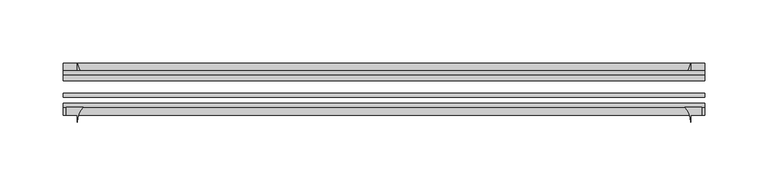
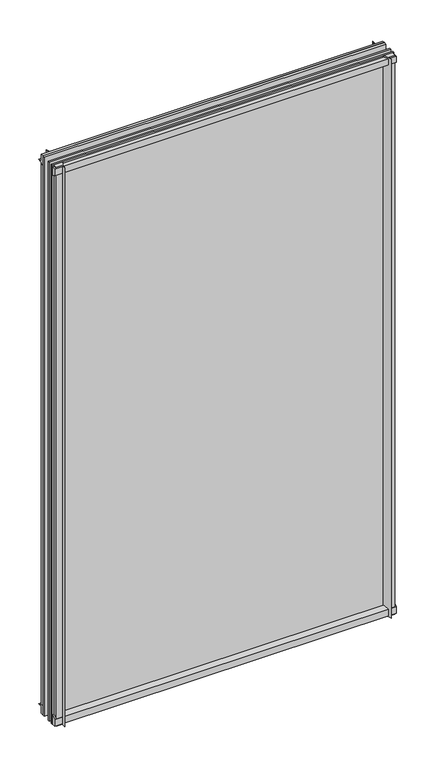
"""IFC4 building model written with IfcOpenShell, lengths in millimetres: plate geometry."""

from ifc_helpers import new_model, si_unit, point, frame, frame_2d, origin, place, context, project, spatial, polyline, circle_curve, trimmed, segment, composite_curve, outline, extrude, source, transform, mapped, element, save


def plate_01372ef2(model_context):
    return source(origin(), model_context, "Body", "SweptSolid", [
        extrude(outline(composite_curve([segment(polyline([(-42.891075, -11.1125), (-42.891075, 3.8539528)]), True, "CONTINUOUS"), segment(trimmed(circle_curve(frame_2d((-26.637892, 29.5913262)), 30.4397495), [point((-42.891075, 3.8539528))], [point((-33.7745413, 0.0))], True, "CARTESIAN"), True, "CONTINUOUS"), segment(polyline([(-33.7745413, 0.0), (-39.690675, 0.0), (-39.690675, -11.1125), (-42.891075, -11.1125)]), True, "CONTINUOUS")], self_intersect=False)), frame((-253.20625, 0.0, 0.0), z_axis=(1.0, 0.0, 0.0), x_axis=(0.0, 1.0, 0.0)), (0.0, 0.0, 1.0), 506.4125),
        extrude(outline(composite_curve([segment(trimmed(circle_curve(frame_2d((-80.4922797, 17.8701603)), 18.6769817), [point((-74.641075, 0.1333891))], [point((-68.291075, 3.72943))], True, "CARTESIAN"), True, "CONTINUOUS"), segment(polyline([(-68.291075, 3.72943), (-68.291075, -10.3251), (-74.641075, -10.3251), (-74.641075, 0.1333891)]), True, "CONTINUOUS")], self_intersect=False)), frame((-253.20625, 0.0, 0.0), z_axis=(1.0, 0.0, 0.0), x_axis=(0.0, 1.0, 0.0)), (0.0, 0.0, 1.0), 506.4125),
        extrude(outline(composite_curve([segment(polyline([(-42.891075, 850.2083472), (-42.891075, 865.1875), (-39.690675, 865.1875), (-39.690675, 854.075), (-33.721675, 854.075)]), True, "CONTINUOUS"), segment(trimmed(circle_curve(frame_2d((-26.637892, 824.4709738)), 30.4397495), [point((-33.721675, 854.075))], [point((-42.891075, 850.2083472))], True, "CARTESIAN"), True, "CONTINUOUS")], self_intersect=False)), frame((-253.20625, 0.0, 0.0), z_axis=(1.0, 0.0, 0.0), x_axis=(0.0, 1.0, 0.0)), (0.0, 0.0, 1.0), 506.4125),
        extrude(outline(composite_curve([segment(polyline([(-68.291075, 862.8126), (-68.291075, 849.53912)]), True, "CONTINUOUS"), segment(trimmed(circle_curve(frame_2d((-80.4922797, 835.3983897)), 18.6769817), [point((-68.291075, 849.53912))], [point((-74.641075, 853.1351609))], True, "CARTESIAN"), True, "CONTINUOUS"), segment(polyline([(-74.641075, 853.1351609), (-74.641075, 862.8126), (-68.291075, 862.8126)]), True, "CONTINUOUS")], self_intersect=False)), frame((-253.20625, 0.0, 0.0), z_axis=(1.0, 0.0, 0.0), x_axis=(0.0, 1.0, 0.0)), (0.0, 0.0, 1.0), 506.4125),
        extrude(outline(composite_curve([segment(polyline([(237.55787, -68.291075), (250.83135, -68.291075), (250.83135, -74.641075), (242.09375, -74.641075), (242.09375, -80.3744844)]), True, "CONTINUOUS"), segment(trimmed(circle_curve(frame_2d((223.4171397, -80.4922797)), 18.6769817), [point((242.09375, -80.3744844))], [point((237.55787, -68.291075))], True, "CARTESIAN"), True, "CONTINUOUS")], self_intersect=False)), frame((0.0, 0.0, -11.1125), z_axis=(0.0, 0.0, 1.0), x_axis=(1.0, 0.0, 0.0)), (0.0, 0.0, 1.0), 876.3),
        extrude(outline(composite_curve([segment(trimmed(circle_curve(frame_2d((212.4897238, -26.637892)), 30.4397495), [point((238.2270972, -42.891075))], [point((242.09375, -33.721675))], True, "CARTESIAN"), True, "CONTINUOUS"), segment(polyline([(242.09375, -33.721675), (242.09375, -39.690675), (253.20625, -39.690675), (253.20625, -42.891075), (238.2270972, -42.891075)]), True, "CONTINUOUS")], self_intersect=False)), frame((0.0, 0.0, -11.1125), z_axis=(0.0, 0.0, 1.0), x_axis=(1.0, 0.0, 0.0)), (0.0, 0.0, 1.0), 876.3),
        extrude(outline(composite_curve([segment(trimmed(circle_curve(frame_2d((-223.4171397, -80.4922797)), 18.6769817), [point((-237.55787, -68.291075))], [point((-242.09375, -80.3744844))], True, "CARTESIAN"), True, "CONTINUOUS"), segment(polyline([(-242.09375, -80.3744844), (-242.09375, -74.641075), (-250.83135, -74.641075), (-250.83135, -68.291075), (-237.55787, -68.291075)]), True, "CONTINUOUS")], self_intersect=False)), frame((0.0, 0.0, -11.1125), z_axis=(0.0, 0.0, 1.0), x_axis=(1.0, 0.0, 0.0)), (0.0, 0.0, 1.0), 876.3),
        extrude(outline(composite_curve([segment(polyline([(-238.2270972, -42.891075), (-253.20625, -42.891075), (-253.20625, -39.690675), (-242.09375, -39.690675), (-242.09375, -33.721675)]), True, "CONTINUOUS"), segment(trimmed(circle_curve(frame_2d((-212.4897238, -26.637892)), 30.4397495), [point((-242.09375, -33.721675))], [point((-238.2270972, -42.891075))], True, "CARTESIAN"), True, "CONTINUOUS")], self_intersect=False)), frame((0.0, 0.0, -11.1125), z_axis=(0.0, 0.0, 1.0), x_axis=(1.0, 0.0, 0.0)), (0.0, 0.0, 1.0), 876.3),
        extrude(outline(polyline([(-253.20625, -42.891075), (253.20625, -42.891075), (253.20625, -47.653575), (-253.20625, -47.653575), (-253.20625, -42.891075)])), frame((0.0, 0.0, -11.1125), z_axis=(0.0, 0.0, 1.0), x_axis=(1.0, 0.0, 0.0)), (0.0, 0.0, 1.0), 876.3),
        extrude(outline(polyline([(253.20625, -57.369075), (253.20625, -60.544075), (-253.20625, -60.544075), (-253.20625, -57.369075), (253.20625, -57.369075)])), frame((0.0, 0.0, -11.1125), z_axis=(0.0, 0.0, 1.0), x_axis=(1.0, 0.0, 0.0)), (0.0, 0.0, 1.0), 876.3),
        extrude(outline(polyline([(-253.20625, -65.116075), (253.20625, -65.116075), (253.20625, -68.291075), (-253.20625, -68.291075), (-253.20625, -65.116075)])), frame((0.0, 0.0, -11.1125), z_axis=(0.0, 0.0, 1.0), x_axis=(1.0, 0.0, 0.0)), (0.0, 0.0, 1.0), 876.3),
    ])


if __name__ == "__main__":
    model = new_model("IFC4")
    model_context = context("Model", 3, world=origin())
    ifc_project = project(units=[si_unit("LENGTHUNIT", "METRE", prefix="MILLI")], contexts=[model_context])
    site = spatial("IfcSite", under=ifc_project)
    building = spatial("IfcBuilding", under=site)
    placement = place(None, origin())
    plate_shape = plate_01372ef2(model_context)
    element("IfcPlate", 1, at=placement, inside=building, context=model_context, shape_type="MappedRepresentation", body=[
        mapped(plate_shape, transform((0.0, 0.0, 0.0), x_axis=(1.0, 0.0, 0.0), y_axis=(0.0, 1.0, 0.0), z_axis=(0.0, 0.0, 1.0))),
    ])
    save(model, "model.ifc")
